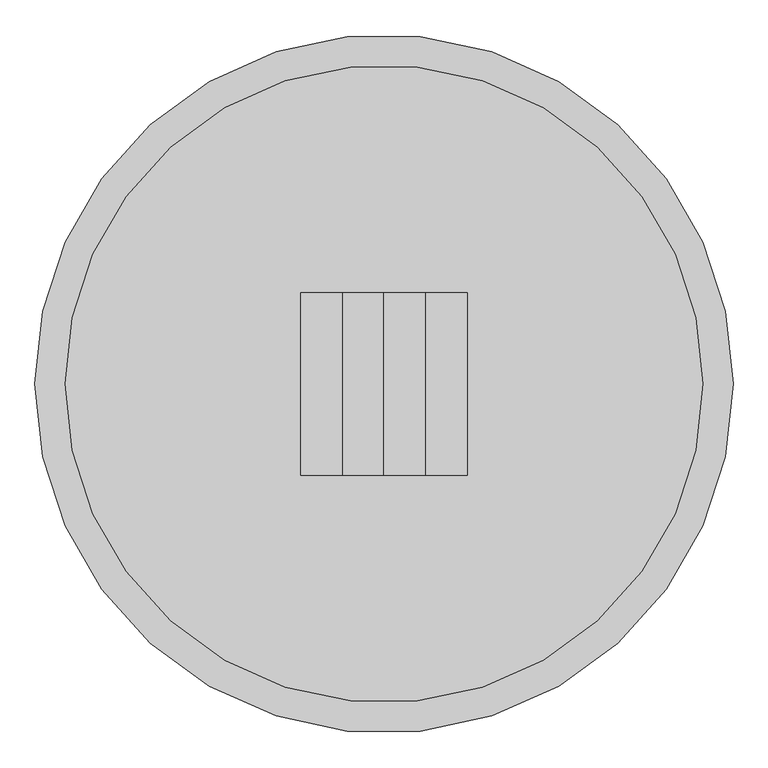
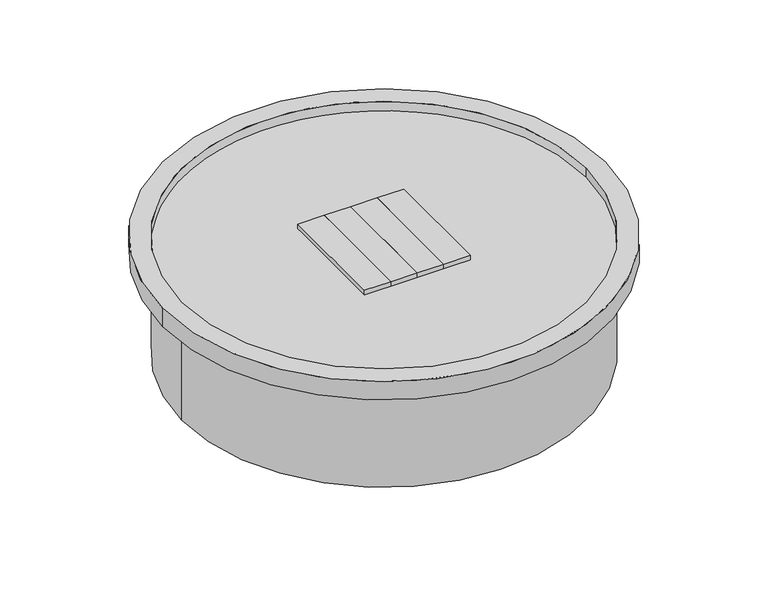
"""IFC4 building model written with IfcOpenShell, lengths in millimetres: proxy geometry."""

from ifc_helpers import new_model, si_unit, point, frame, origin, origin_with_axes, origin_2d, place, context, project, spatial, polyline, circle_curve, trimmed, segment, composite_curve, outline, extrude, source, transform, mapped, element, save


def generic_models_ec55de90(model_context):
    return source(origin(), model_context, "Body", "SweptSolid", [
        extrude(outline(polyline([(69.85, -152.4), (69.85, 152.4), (139.7, 152.4), (139.7, -152.4), (69.85, -152.4)])), frame((0.0, 0.0, 279.4), z_axis=(0.0, 0.0, 1.0), x_axis=(1.0, 0.0, 0.0)), (0.0, 0.0, 1.0), 38.1),
        extrude(outline(polyline([(0.0, -152.4), (0.0, 152.4), (69.85, 152.4), (69.85, -152.4), (0.0, -152.4)])), frame((0.0, 0.0, 279.4), z_axis=(0.0, 0.0, 1.0), x_axis=(1.0, 0.0, 0.0)), (0.0, 0.0, 1.0), 38.1),
        extrude(outline(polyline([(-69.85, -152.4), (-139.7, -152.4), (-139.7, 152.4), (-69.85, 152.4), (-69.85, -152.4)])), frame((0.0, 0.0, 279.4), z_axis=(0.0, 0.0, 1.0), x_axis=(1.0, 0.0, 0.0)), (0.0, 0.0, 1.0), 38.1),
        extrude(outline(polyline([(-69.85, -152.4), (-69.85, 152.4), (0.0, 152.4), (0.0, -152.4), (-69.85, -152.4)])), frame((0.0, 0.0, 279.4), z_axis=(0.0, 0.0, 1.0), x_axis=(1.0, 0.0, 0.0)), (0.0, 0.0, 1.0), 38.1),
        extrude(outline(composite_curve([segment(trimmed(circle_curve(origin_2d(), 533.4), [point((533.4, 0.0))], [point((-533.4, 0.0))], False, "CARTESIAN"), True, "CONTINUOUS"), segment(trimmed(circle_curve(origin_2d(), 533.4), [point((-533.4, 0.0))], [point((533.4, 0.0))], False, "CARTESIAN"), True, "CONTINUOUS")], self_intersect=False)), frame((0.0, 0.0, 279.4), z_axis=(0.0, 0.0, 1.0), x_axis=(1.0, 0.0, 0.0)), (0.0, 0.0, 1.0), 25.4),
        extrude(outline(composite_curve([segment(trimmed(circle_curve(origin_2d(), 584.2), [point((-584.2, 0.0))], [point((584.2, 0.0))], False, "CARTESIAN"), True, "CONTINUOUS"), segment(trimmed(circle_curve(origin_2d(), 584.2), [point((584.2, 0.0))], [point((-584.2, 0.0))], False, "CARTESIAN"), True, "CONTINUOUS")], self_intersect=False), holes=[composite_curve([segment(trimmed(circle_curve(origin_2d(), 533.4), [point((-533.4, 0.0))], [point((533.4, 0.0))], True, "CARTESIAN"), True, "CONTINUOUS"), segment(trimmed(circle_curve(origin_2d(), 533.4), [point((533.4, 0.0))], [point((-533.4, 0.0))], True, "CARTESIAN"), True, "CONTINUOUS")], self_intersect=False)]), frame((0.0, 0.0, 279.4), z_axis=(0.0, 0.0, 1.0), x_axis=(1.0, 0.0, 0.0)), (0.0, 0.0, 1.0), 50.8),
        extrude(outline(composite_curve([segment(trimmed(circle_curve(origin_2d(), 533.4), [point((-533.4, 0.0))], [point((533.4, 0.0))], False, "CARTESIAN"), True, "CONTINUOUS"), segment(trimmed(circle_curve(origin_2d(), 533.4), [point((533.4, 0.0))], [point((-533.4, 0.0))], False, "CARTESIAN"), True, "CONTINUOUS")], self_intersect=False)), origin_with_axes(), (0.0, 0.0, 1.0), 279.4),
    ])


if __name__ == "__main__":
    model = new_model("IFC4")
    model_context = context("Model", 3, world=origin())
    ifc_project = project(units=[si_unit("LENGTHUNIT", "METRE", prefix="MILLI")], contexts=[model_context])
    site = spatial("IfcSite", under=ifc_project)
    building = spatial("IfcBuilding", under=site)
    placement = place(None, origin())
    generic_models_shape = generic_models_ec55de90(model_context)
    element("IfcBuildingElementProxy", 1, Name="Generic Models", at=placement, inside=building, context=model_context, shape_type="MappedRepresentation", body=[
        mapped(generic_models_shape, transform((0.0, 0.0, 0.0), x_axis=(1.0, 0.0, 0.0), y_axis=(0.0, 1.0, 0.0), z_axis=(0.0, 0.0, 1.0))),
    ])
    save(model, "model.ifc")
